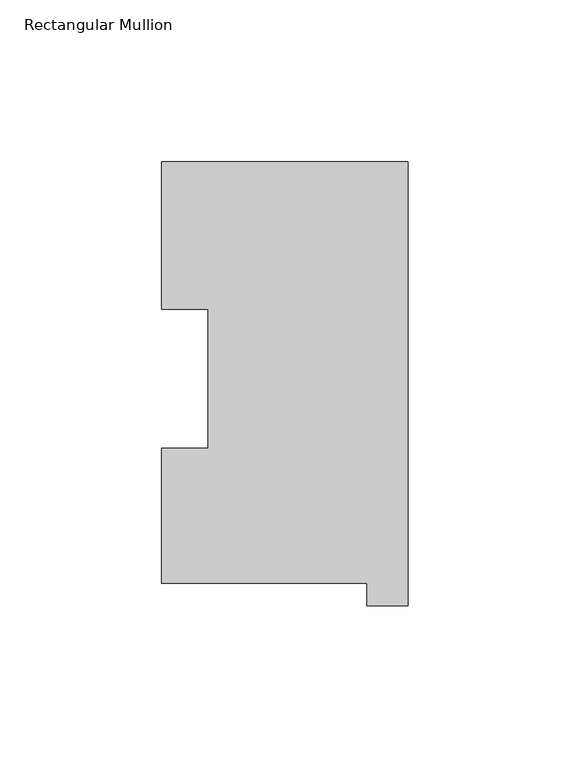
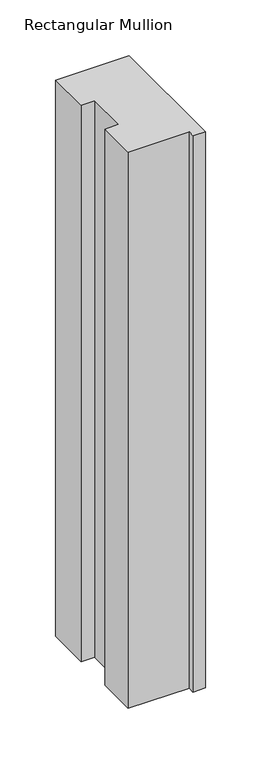
"""IFC4 building model written with IfcOpenShell, lengths in millimetres: member geometry, Rectangular Mullion."""

from ifc_helpers import new_model, si_unit, frame, origin, place, context, project, spatial, polyline, outline, extrude, source, transform, mapped, element, save


def rectangular_mullion_cf9449c7(model_context):
    return source(origin(), model_context, "Body", "SweptSolid", [
        extrude(outline(polyline([(-76.2, 130.56235), (0.0, 130.56235), (0.0, -6.64845), (-12.7, -6.64845), (-12.7, 0.26035), (-76.2, 0.26035), (-76.2, 42.0485036), (-61.9101579, 42.0485036), (-61.9101579, 84.93125), (-76.2, 84.93125), (-76.2, 130.56235)])), frame((0.0, 0.0, -609.6), z_axis=(0.0, 0.0, 1.0), x_axis=(1.0, 0.0, 0.0)), (0.0, 0.0, 1.0), 609.6),
    ])


if __name__ == "__main__":
    model = new_model("IFC4")
    model_context = context("Model", 3, world=origin())
    ifc_project = project(units=[si_unit("LENGTHUNIT", "METRE", prefix="MILLI")], contexts=[model_context])
    site = spatial("IfcSite", under=ifc_project)
    building = spatial("IfcBuilding", under=site)
    placement = place(None, origin())
    rectangular_mullion_shape = rectangular_mullion_cf9449c7(model_context)
    element("IfcMember", 1, ObjectType="Rectangular Mullion", at=placement, inside=building, context=model_context, shape_type="MappedRepresentation", body=[
        mapped(rectangular_mullion_shape, transform((0.0, 0.0, 0.0), x_axis=(1.0, 0.0, 0.0), y_axis=(0.0, 1.0, 0.0), z_axis=(0.0, 0.0, 1.0))),
    ])
    save(model, "model.ifc")
